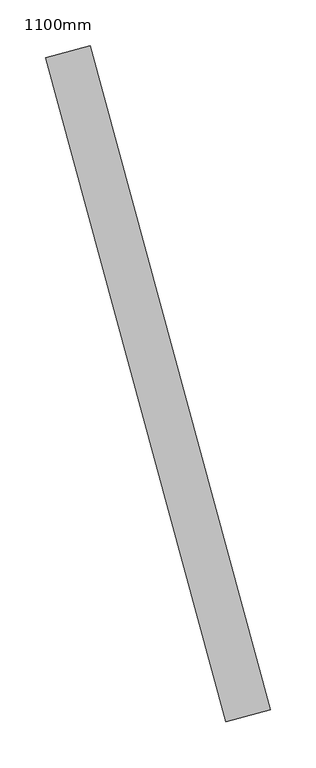
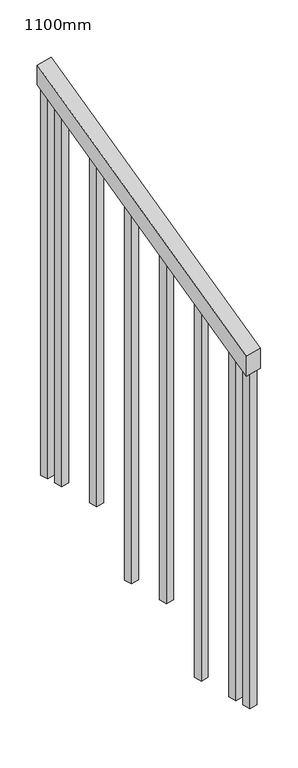
"""IFC4 building model written with IfcOpenShell, lengths in millimetres: railing geometry, 1100mm."""

from ifc_helpers import new_model, si_unit, frame, origin, place, context, project, spatial, polyline, outline, extrude, source, transform, mapped, element, save


def railing_1100mm_b23a7552(model_context):
    return source(origin(), model_context, "Body", "SweptSolid", [
        extrude(outline(polyline([(-35.5555555, -50.0), (0.0, 0.0), (920.2958462, 0.0), (884.7402906, -50.0), (-35.5555555, -50.0)])), frame((243393.4887683, 86737.4987565, 1277.7777778), z_axis=(0.9649894123601854, 0.2622888370341834, 0.0), x_axis=(-0.21375368431595335, 0.786423259755404, 0.579523786360008)), (0.0, 0.0, 1.0), 50.0),
        extrude(outline(polyline([(108.8888889, 0.0), (91.1111112, 25.0000001), (1271.980277, 25.0000001), (1271.980277, 0.0), (108.8888889, 0.0)])), frame((243228.5061709, 87392.1452203, 1805.3136103), z_axis=(0.9649894123601821, 0.2622888370341949, 0.0), x_axis=(0.0, 0.0, -1.0)), (0.0, 0.0, 1.0), 25.0),
        extrude(outline(polyline([(108.8888889, 0.0), (91.1111111, 25.0), (1183.0913881, 25.0), (1183.0913881, 0.0), (108.8888889, 0.0)])), frame((243261.2922756, 87271.5215438, 1716.4247214), z_axis=(0.9649894123601821, 0.2622888370341949, 0.0), x_axis=(0.0, 0.0, -1.0)), (0.0, 0.0, 1.0), 25.0),
        extrude(outline(polyline([(108.8888889, 0.0), (91.1111111, 25.0), (1271.9802769, 25.0), (1271.9802769, 0.0), (108.8888889, 0.0)])), frame((243294.0783802, 87150.8978673, 1627.5358325), z_axis=(0.9649894123601821, 0.2622888370341949, 0.0), x_axis=(0.0, 0.0, -1.0)), (0.0, 0.0, 1.0), 25.0),
        extrude(outline(polyline([(108.8888889, 0.0), (91.1111111, 25.0), (1183.091388, 25.0), (1183.091388, 0.0), (108.8888889, 0.0)])), frame((243326.8644848, 87030.2741907, 1538.6469436), z_axis=(0.9649894123601821, 0.2622888370341949, 0.0), x_axis=(0.0, 0.0, -1.0)), (0.0, 0.0, 1.0), 25.0),
        extrude(outline(polyline([(108.8888889, 0.0), (91.1111111, 25.0), (1271.9802769, 25.0), (1271.9802769, 0.0), (108.8888889, 0.0)])), frame((243359.6505894, 86909.6505142, 1449.7580547), z_axis=(0.9649894123601821, 0.2622888370341949, 0.0), x_axis=(0.0, 0.0, -1.0)), (0.0, 0.0, 1.0), 25.0),
        extrude(outline(polyline([(108.8888889, 0.0), (91.1111111, 25.0), (1183.091388, 25.0), (1183.091388, 0.0), (108.8888889, 0.0)])), frame((243392.4366941, 86789.0268376, 1360.8691658), z_axis=(0.9649894123601821, 0.2622888370341949, 0.0), x_axis=(0.0, 0.0, -1.0)), (0.0, 0.0, 1.0), 25.0),
        extrude(outline(polyline([(108.8888889, 0.0), (91.1111111, 25.0), (1307.5358325, 25.0), (1307.5358325, 0.0), (108.8888889, 0.0)])), frame((243215.3917291, 87440.394691, 1840.8691658), z_axis=(0.9649894123601821, 0.2622888370341949, 0.0), x_axis=(0.0, 0.0, -1.0)), (0.0, 0.0, 1.0), 25.0),
        extrude(outline(polyline([(108.8888889, 0.0), (91.1111112, 25.0), (1147.5358325, 25.0), (1147.5358325, 0.0), (108.8888889, 0.0)])), frame((243405.5511359, 86740.777367, 1325.3136103), z_axis=(0.9649894123601821, 0.2622888370341949, 0.0), x_axis=(0.0, 0.0, -1.0)), (0.0, 0.0, 1.0), 25.0),
    ])


if __name__ == "__main__":
    model = new_model("IFC4")
    model_context = context("Model", 3, world=origin())
    ifc_project = project(units=[si_unit("LENGTHUNIT", "METRE", prefix="MILLI")], contexts=[model_context])
    site = spatial("IfcSite", under=ifc_project)
    building = spatial("IfcBuilding", under=site)
    placement = place(None, origin())
    railing_1100mm_shape = railing_1100mm_b23a7552(model_context)
    element("IfcRailing", 1, ObjectType="1100mm", at=placement, inside=building, context=model_context, shape_type="MappedRepresentation", body=[
        mapped(railing_1100mm_shape, transform((0.0, 0.0, 0.0), x_axis=(1.0, 0.0, 0.0), y_axis=(0.0, 1.0, 0.0), z_axis=(0.0, 0.0, 1.0))),
    ])
    save(model, "model.ifc")
